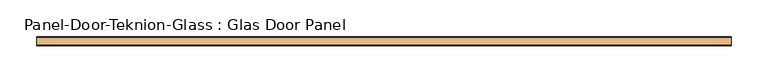
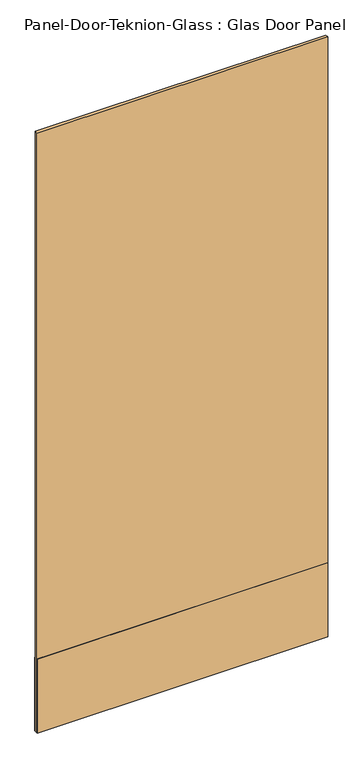
"""IFC4 building model written with IfcOpenShell, lengths in millimetres: door geometry, Panel-Door-Teknion-Glass : Glas Door Panel."""

from ifc_helpers import new_model, si_unit, frame, origin, place, context, project, spatial, polyline, outline, extrude, source, transform, mapped, element, save


def panel_door_teknion_glass_glas_door_panel_d5102b43(model_context):
    return source(origin(), model_context, "Body", "SweptSolid", [
        extrude(outline(polyline([(473.0678563, 4.5085), (473.0678563, -4.5085), (-473.0678562, -4.5085), (-473.0678562, 4.5085), (473.0678563, 4.5085)])), frame((0.0, 0.0, 12.7), z_axis=(0.0, 0.0, 1.0), x_axis=(1.0, 0.0, 0.0)), (0.0, 0.0, 1.0), 2063.115),
        extrude(outline(polyline([(473.0678563, 6.1087), (473.0678563, 4.5085), (-473.0678562, 4.5085), (-473.0678562, 6.1087), (473.0678563, 6.1087)])), frame((0.0, 0.0, 12.7), z_axis=(0.0, 0.0, 1.0), x_axis=(1.0, 0.0, 0.0)), (0.0, 0.0, 1.0), 254.0),
        extrude(outline(polyline([(473.0678563, -4.5085), (473.0678563, -6.1087), (-473.0678562, -6.1087), (-473.0678562, -4.5085), (473.0678563, -4.5085)])), frame((0.0, 0.0, 12.7), z_axis=(0.0, 0.0, 1.0), x_axis=(1.0, 0.0, 0.0)), (0.0, 0.0, 1.0), 254.0),
    ])


if __name__ == "__main__":
    model = new_model("IFC4")
    model_context = context("Model", 3, world=origin())
    ifc_project = project(units=[si_unit("LENGTHUNIT", "METRE", prefix="MILLI")], contexts=[model_context])
    site = spatial("IfcSite", under=ifc_project)
    building = spatial("IfcBuilding", under=site)
    placement = place(None, origin())
    panel_door_teknion_glass_glas_door_panel_shape = panel_door_teknion_glass_glas_door_panel_d5102b43(model_context)
    element("IfcDoor", 1, ObjectType="Panel-Door-Teknion-Glass : Glas Door Panel", at=placement, inside=building, context=model_context, shape_type="MappedRepresentation", body=[
        mapped(panel_door_teknion_glass_glas_door_panel_shape, transform((0.0, 0.0, 0.0), x_axis=(1.0, 0.0, 0.0), y_axis=(0.0, 1.0, 0.0), z_axis=(0.0, 0.0, 1.0))),
    ])
    save(model, "model.ifc")
